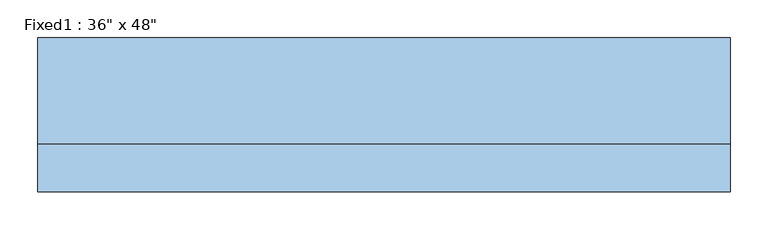
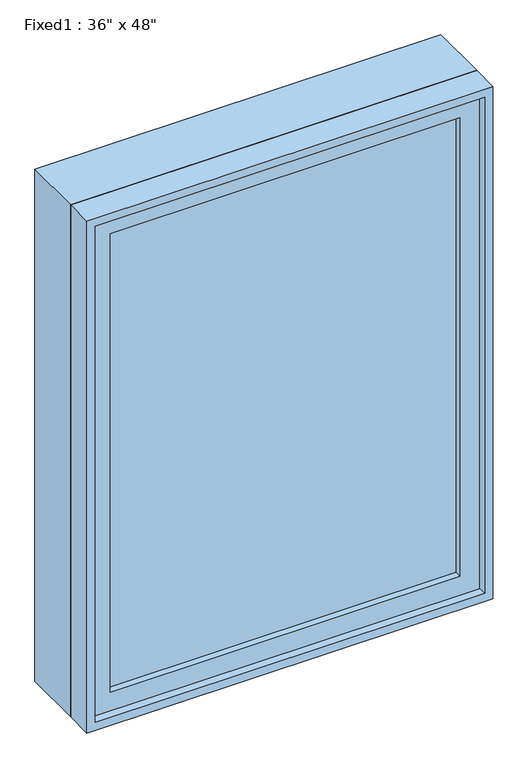
"""IFC4 building model written with IfcOpenShell, lengths in millimetres: window geometry."""

from ifc_helpers import new_model, si_unit, frame, origin, place, context, project, spatial, polyline, outline, extrude, source, transform, mapped, element, save


def window_209efcd5(model_context):
    return source(origin(), model_context, "Body", "SweptSolid", [
        extrude(outline(polyline([(355.6, -53.975), (355.6, -66.675), (-431.8, -66.675), (-431.8, -53.975), (355.6, -53.975)])), frame((0.0, 0.0, 977.9), z_axis=(0.0, 0.0, 1.0), x_axis=(1.0, 0.0, 0.0)), (0.0, 0.0, 1.0), 1092.2),
        extrude(outline(polyline([(2114.55, -476.25), (933.45, -476.25), (933.45, 400.05), (2114.55, 400.05), (2114.55, -476.25)]), holes=[polyline([(2070.1, -431.8), (2070.1, 355.6), (977.9, 355.6), (977.9, -431.8), (2070.1, -431.8)])]), frame((0.0, -82.55, 0.0), z_axis=(0.0, 1.0, 0.0), x_axis=(0.0, 0.0, 1.0)), (0.0, 0.0, 1.0), 44.45),
        extrude(outline(polyline([(2133.6, -495.3), (914.4, -495.3), (914.4, 419.1), (2133.6, 419.1), (2133.6, -495.3)]), holes=[polyline([(2101.85, -463.55), (2101.85, 387.35), (946.15, 387.35), (946.15, -463.55), (2101.85, -463.55)])]), frame((0.0, -38.1, 0.0), z_axis=(0.0, 1.0, 0.0), x_axis=(0.0, 0.0, 1.0)), (0.0, 0.0, 1.0), 139.7),
        extrude(outline(polyline([(2133.6, 419.1), (2133.6, -495.3), (914.4, -495.3), (914.4, 419.1), (2133.6, 419.1)]), holes=[polyline([(2114.55, 400.05), (933.45, 400.05), (933.45, -476.25), (2114.55, -476.25), (2114.55, 400.05)])]), frame((0.0, -101.6, 0.0), z_axis=(0.0, 1.0, 0.0), x_axis=(0.0, 0.0, 1.0)), (0.0, 0.0, 1.0), 63.5),
    ])


if __name__ == "__main__":
    model = new_model("IFC4")
    model_context = context("Model", 3, world=origin())
    ifc_project = project(units=[si_unit("LENGTHUNIT", "METRE", prefix="MILLI")], contexts=[model_context])
    site = spatial("IfcSite", under=ifc_project)
    building = spatial("IfcBuilding", under=site)
    placement = place(None, origin())
    window_shape = window_209efcd5(model_context)
    element("IfcWindow", 1, ObjectType="Fixed1 : 36\" x 48\"", at=placement, inside=building, context=model_context, shape_type="MappedRepresentation", body=[
        mapped(window_shape, transform((0.0, 0.0, 0.0), x_axis=(1.0, 0.0, 0.0), y_axis=(0.0, 1.0, 0.0), z_axis=(0.0, 0.0, 1.0))),
    ])
    save(model, "model.ifc")
